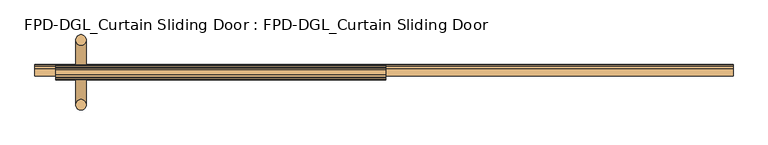
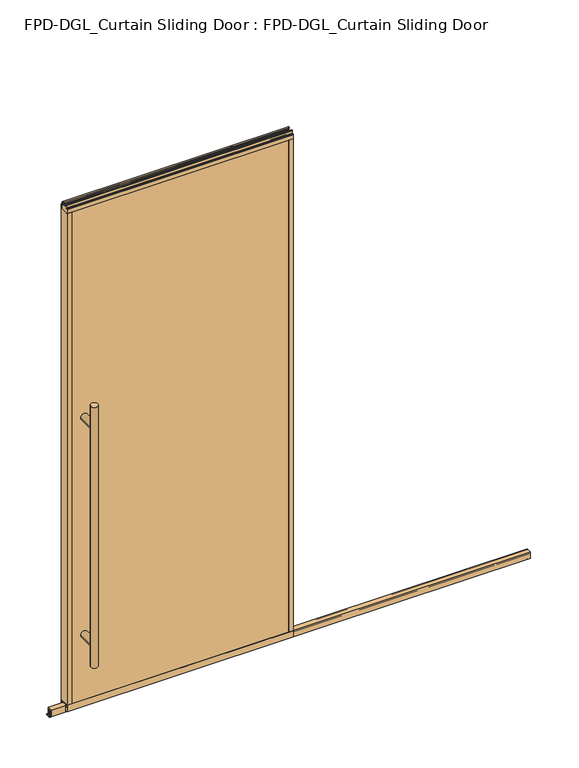
"""IFC4 building model written with IfcOpenShell, lengths in millimetres: door geometry, FPD-DGL_Curtain Sliding Door : FPD-DGL_Curtain Sliding Door."""

from ifc_helpers import new_model, si_unit, point, frame, frame_2d, origin, place, context, project, spatial, polyline, circle_curve, ellipse_curve, trimmed, segment, composite_curve, outline, extrude, source, transform, mapped, element, save
from ifc_brep_helpers import plane_surface, cylinder_surface, advanced_brep


def fpd_dgl_curtain_sliding_door_fpd_dgl_curtain_sliding_door_6877c5e0(model_context):
    return source(origin(), model_context, "Body", "SolidModel", [
        advanced_brep(
        [(-407.9879673, 35.128049, 1473.2), (-439.7379673, 35.128049, 1473.2), (-407.9879673, -162.0969566, 1473.2), (-439.7379673, -162.0969566, 1473.2), (-407.9879673, 35.128049, 254.0), (-439.7379673, 35.128049, 254.0), (-407.9879673, -162.0969566, 254.0), (-439.7379673, -162.0969566, 254.0), (-407.9879673, 35.128049, 355.6), (-439.7379673, 35.128049, 355.6), (-407.9879673, 35.128049, 1371.6), (-439.7379673, 35.128049, 1371.6), (-439.7379673, -162.0969566, 1371.6), (-439.7379673, -162.0969566, 355.6), (-407.9879673, -162.0969566, 355.6), (-407.9879673, -162.0969566, 1371.6)],
        [
            (0, 1, circle_curve(frame((-423.8629673, 35.128049, 1473.2), z_axis=(0.0, 0.0, 1.0), x_axis=(-1.0, 0.0, 0.0)), 15.875)),
            (1, 0, circle_curve(frame((-423.8629673, 35.128049, 1473.2), z_axis=(0.0, 0.0, 1.0), x_axis=(-1.0, 0.0, 0.0)), 15.875)),
            (2, 3, circle_curve(frame((-423.8629673, -162.0969566, 1473.2), z_axis=(0.0, 0.0, 1.0), x_axis=(-1.0, 0.0, 0.0)), 15.875)),
            (3, 2, circle_curve(frame((-423.8629673, -162.0969566, 1473.2), z_axis=(0.0, 0.0, 1.0), x_axis=(-1.0, 0.0, 0.0)), 15.875)),
            (4, 5, circle_curve(frame((-423.8629673, 35.128049, 254.0), z_axis=(0.0, 0.0, -1.0), x_axis=(-1.0, 0.0, 0.0)), 15.875)),
            (5, 4, circle_curve(frame((-423.8629673, 35.128049, 254.0), z_axis=(0.0, 0.0, -1.0), x_axis=(-1.0, 0.0, 0.0)), 15.875)),
            (6, 7, circle_curve(frame((-423.8629673, -162.0969566, 254.0), z_axis=(0.0, 0.0, -1.0), x_axis=(-1.0, 0.0, 0.0)), 15.875)),
            (7, 6, circle_curve(frame((-423.8629673, -162.0969566, 254.0), z_axis=(0.0, 0.0, -1.0), x_axis=(-1.0, 0.0, 0.0)), 15.875)),
            (4, 8),
            (8, 9, ellipse_curve(frame((-423.8629673, 35.128049, 355.6), z_axis=(0.0, 0.7071067811865525, -0.7071067811865427), x_axis=(0.0, 0.7071067811865427, 0.7071067811865523)), 22.4506403, 15.875)),
            (9, 5),
            (10, 11, ellipse_curve(frame((-423.8629673, 35.128049, 1371.6), z_axis=(0.0, 0.7071067811865427, -0.7071067811865525), x_axis=(0.0, 0.7071067811865525, 0.7071067811865425)), 22.4506403, 15.875)),
            (11, 9),
            (9, 8, ellipse_curve(frame((-423.8629673, 35.128049, 355.6), z_axis=(0.0, 0.7071067811865427, 0.7071067811865525), x_axis=(0.0, -0.7071067811865525, 0.7071067811865425)), 22.4506403, 15.875)),
            (8, 10),
            (1, 11),
            (11, 10, ellipse_curve(frame((-423.8629673, 35.128049, 1371.6), z_axis=(0.0, 0.7071067811865525, 0.7071067811865427), x_axis=(0.0, -0.7071067811865427, 0.7071067811865523)), 22.4506403, 15.875)),
            (10, 0),
            (3, 12),
            (12, 13),
            (13, 7),
            (6, 14),
            (14, 15),
            (15, 2),
            (15, 12, ellipse_curve(frame((-423.8629673, -162.0969566, 1371.6), z_axis=(0.0, -0.7071067811865427, 0.7071067811865525), x_axis=(0.0, 0.7071067811865525, 0.7071067811865425)), 22.4506403, 15.875)),
            (13, 14, ellipse_curve(frame((-423.8629673, -162.0969566, 355.6), z_axis=(0.0, -0.7071067811865427, -0.7071067811865525), x_axis=(0.0, -0.7071067811865525, 0.7071067811865425)), 22.4506403, 15.875)),
            (14, 13, ellipse_curve(frame((-423.8629673, -162.0969566, 355.6), z_axis=(0.0, -0.7071067811865525, 0.7071067811865427), x_axis=(0.0, 0.7071067811865427, 0.7071067811865523)), 22.4506403, 15.875)),
            (12, 15, ellipse_curve(frame((-423.8629673, -162.0969566, 1371.6), z_axis=(0.0, -0.7071067811865525, -0.7071067811865427), x_axis=(0.0, -0.7071067811865427, 0.7071067811865523)), 22.4506403, 15.875)),
            (10, 15),
            (12, 11),
            (8, 14),
            (13, 9),
        ],
        [
            plane_surface(frame((-324.7555665, -63.5, 1473.2), z_axis=(0.0, 0.0, 1.0), x_axis=(0.0, 1.0, 0.0))),
            plane_surface(frame((-324.7555665, -63.5, 254.0), z_axis=(0.0, 0.0, -1.0), x_axis=(0.0, 1.0, 0.0))),
            cylinder_surface(frame((-423.8629673, 35.128049, 1473.2), z_axis=(0.0, 0.0, 1.0), x_axis=(-1.0, 0.0, 0.0)), 15.875),
            cylinder_surface(frame((-423.8629673, -162.0969566, 1473.2), z_axis=(0.0, 0.0, 1.0), x_axis=(-1.0, 0.0, 0.0)), 15.875),
            cylinder_surface(frame((-423.8629673, -162.0969566, 1371.6), z_axis=(0.0, 1.0, 0.0), x_axis=(1.0, 0.0, 0.0)), 15.875),
            cylinder_surface(frame((-423.8629673, -63.5, 355.6), z_axis=(0.0, 1.0, 0.0), x_axis=(1.0, 0.0, 0.0)), 15.875),
        ],
        [
            (0, [[1, 2]]),
            (0, [[3, 4]]),
            (1, [[5, 6]]),
            (1, [[7, 8]]),
            (2, [[9, 10, 11, -5]]),
            (2, [[12, 13, 14, 15]]),
            (2, [[16, 17, 18, -2]]),
            (2, [[-18, -15, -9, -6, -11, -13, -16, -1]]),
            (3, [[19, 20, 21, -7, 22, 23, 24, -4]]),
            (3, [[-24, 25, -19, -3]]),
            (3, [[-21, 26, -22, -8]]),
            (3, [[27, -20, 28, -23]]),
            (4, [[-12, 29, -28, 30]]),
            (4, [[-25, -29, -17, -30]]),
            (5, [[-10, 31, -26, 32]]),
            (5, [[-27, -31, -14, -32]]),
        ],
    ),
        extrude(outline(composite_curve([segment(polyline([(-59.6869794, 1.1714386), (-59.6869794, 4.0416386)]), True, "CONTINUOUS"), segment(trimmed(circle_curve(frame_2d((-58.5185794, 4.0416386)), 1.1684), [point((-59.6869794, 4.0416386))], [point((-58.9336188, 5.1338386))], False, "CARTESIAN"), True, "CONTINUOUS"), segment(polyline([(-58.9336188, 5.1338386), (-56.2262294, 5.1338386), (-56.2262294, 4.3138948), (-58.9122794, 4.3138948), (-58.9122794, 0.7650387), (-40.4337797, 0.7650387), (-40.4337797, 4.4232339), (-43.4288569, 4.4232339), (-43.4288569, 5.2100386), (-40.8401797, 5.2100386)]), True, "CONTINUOUS"), segment(trimmed(circle_curve(frame_2d((-40.8401797, 4.0416386)), 1.1684), [point((-40.8401797, 5.2100386))], [point((-39.6717797, 4.0416386))], False, "CARTESIAN"), True, "CONTINUOUS"), segment(polyline([(-39.6717797, 4.0416386), (-39.6717797, 1.1714386)]), True, "CONTINUOUS"), segment(trimmed(circle_curve(frame_2d((-40.8401797, 1.1714386)), 1.1684), [point((-39.6717797, 1.1714386))], [point((-40.8401797, 0.0030387))], False, "CARTESIAN"), True, "CONTINUOUS"), segment(polyline([(-40.8401797, 0.0030387), (-58.5185794, 0.0030387)]), True, "CONTINUOUS"), segment(trimmed(circle_curve(frame_2d((-58.5185794, 1.1714386)), 1.1684), [point((-58.5185794, 0.0030387))], [point((-59.6869794, 1.1714386))], False, "CARTESIAN"), True, "CONTINUOUS")], self_intersect=False)), frame((-563.5629673, 0.0, 0.0), z_axis=(1.0, 0.0, 0.0), x_axis=(0.0, 1.0, 0.0)), (0.0, 0.0, 1.0), 2117.7259345),
        extrude(outline(composite_curve([segment(polyline([(-74.4646139, 41.6030387), (-52.5646141, 41.6030387), (-52.5646141, 11.6839647), (-54.064702, 11.6839647), (-54.064702, 39.1709995)]), True, "CONTINUOUS"), segment(trimmed(circle_curve(frame_2d((-54.9969627, 39.1709995)), 0.9322606), [point((-54.064702, 39.1709995))], [point((-54.9969627, 40.1032601))], True, "CARTESIAN"), True, "CONTINUOUS"), segment(polyline([(-54.9969627, 40.1032601), (-60.0857402, 40.1032601)]), True, "CONTINUOUS"), segment(trimmed(circle_curve(frame_2d((-60.0857402, 39.1243868)), 0.9788733), [point((-60.0857402, 40.1032601))], [point((-61.0646135, 39.1243868))], True, "CARTESIAN"), True, "CONTINUOUS"), segment(polyline([(-61.0646135, 39.1243868), (-61.0646135, 11.6839647), (-62.6646138, 11.6839647), (-62.6646138, 33.5017657), (-64.0544462, 33.5017657), (-64.0544462, 34.3040626), (-62.6646138, 34.3040626), (-62.6646138, 35.6040627), (-73.4646139, 35.6040627), (-73.4646139, 34.3040626), (-72.0747815, 34.3040626), (-72.0747815, 33.5017657), (-73.4646139, 33.5017657), (-73.4646139, 11.6839647), (-74.4646139, 11.6839647), (-74.4646139, 41.6030387)]), True, "CONTINUOUS")], self_intersect=False)), frame((-563.5629673, 0.0, 0.0), z_axis=(1.0, 0.0, 0.0), x_axis=(0.0, 1.0, 0.0)), (0.0, 0.0, 1.0), 2117.7259345),
        extrude(outline(composite_curve([segment(polyline([(-49.1758097, 48.6471016), (-49.1758097, 47.6299627), (-50.5428229, 47.6299627), (-50.5428229, 41.3613764)]), True, "CONTINUOUS"), segment(trimmed(circle_curve(frame_2d((-48.227348, 41.3613764)), 2.3154748), [point((-50.5428229, 41.3613764))], [point((-48.227348, 39.0459016))], True, "CARTESIAN"), True, "CONTINUOUS"), segment(polyline([(-48.227348, 39.0459016), (-43.2396246, 39.0522555)]), True, "CONTINUOUS"), segment(trimmed(circle_curve(frame_2d((-43.337823, 39.8079016)), 0.762), [point((-43.2396246, 39.0522555))], [point((-42.575823, 39.8079016))], True, "CARTESIAN"), True, "CONTINUOUS"), segment(polyline([(-42.575823, 39.8079016), (-42.575823, 48.6471016), (-41.2758255, 48.6471016), (-41.2758255, 19.0059017), (-50.3972378, 19.0059017), (-50.3972378, 15.875), (-52.3015279, 15.875), (-52.3015279, 47.0470737), (-74.6984721, 47.0470737), (-74.6984721, 15.875), (-76.6027622, 15.875), (-76.6027622, 19.0059017), (-85.7241745, 19.0059017), (-85.7241745, 48.6471016), (-84.424177, 48.6471016), (-84.424177, 39.8079016)]), True, "CONTINUOUS"), segment(trimmed(circle_curve(frame_2d((-83.662177, 39.8079016)), 0.762), [point((-84.424177, 39.8079016))], [point((-83.7603754, 39.0522555))], True, "CARTESIAN"), True, "CONTINUOUS"), segment(polyline([(-83.7603754, 39.0522555), (-78.772652, 39.0459016)]), True, "CONTINUOUS"), segment(trimmed(circle_curve(frame_2d((-78.772652, 41.3613764)), 2.3154748), [point((-78.772652, 39.0459016))], [point((-76.4571771, 41.3613764))], True, "CARTESIAN"), True, "CONTINUOUS"), segment(polyline([(-76.4571771, 41.3613764), (-76.4571771, 47.6299627), (-77.8241903, 47.6299627), (-77.8241903, 48.6471016), (-49.1758097, 48.6471016)]), True, "CONTINUOUS")], self_intersect=False)), frame((-500.0629673, 0.0, 0.0), z_axis=(1.0, 0.0, 0.0), x_axis=(0.0, 1.0, 0.0)), (0.0, 0.0, 1.0), 1000.1259345),
        extrude(outline(composite_curve([segment(polyline([(-55.1000175, 2383.0590768), (-50.0953412, 2383.0590768)]), True, "CONTINUOUS"), segment(trimmed(circle_curve(frame_2d((-50.0953412, 2382.4637643)), 0.5953125), [point((-50.0953412, 2383.0590768))], [point((-49.5000287, 2382.4637643))], False, "CARTESIAN"), True, "CONTINUOUS"), segment(polyline([(-49.5000287, 2382.4637643), (-49.5000287, 2371.0957628)]), True, "CONTINUOUS"), segment(trimmed(circle_curve(frame_2d((-47.5809248, 2371.0957628)), 1.919104), [point((-49.5000287, 2371.0957628))], [point((-47.5809248, 2369.1766588))], True, "CARTESIAN"), True, "CONTINUOUS"), segment(polyline([(-47.5809248, 2369.1766588), (-42.0750432, 2369.1766588)]), True, "CONTINUOUS"), segment(trimmed(circle_curve(frame_2d((-42.0750432, 2368.3766603)), 0.7999985), [point((-42.0750432, 2369.1766588))], [point((-41.2750446, 2368.3766603))], False, "CARTESIAN"), True, "CONTINUOUS"), segment(polyline([(-41.2750446, 2368.3766603), (-41.2750446, 2349.4916588), (-42.5750423, 2349.4916588), (-42.5750423, 2359.5916388)]), True, "CONTINUOUS"), segment(trimmed(circle_curve(frame_2d((-43.0750413, 2359.5916388)), 0.499999), [point((-42.5750423, 2359.5916388))], [point((-43.0750413, 2360.0916377))], True, "CARTESIAN"), True, "CONTINUOUS"), segment(polyline([(-43.0750413, 2360.0916377), (-49.1750289, 2360.0916377), (-49.1750289, 2349.4916588), (-77.8249714, 2349.4916588), (-77.8249714, 2360.0916377), (-83.9249587, 2360.0916377)]), True, "CONTINUOUS"), segment(trimmed(circle_curve(frame_2d((-83.9249587, 2359.5916388)), 0.499999), [point((-83.9249587, 2360.0916377))], [point((-84.4249577, 2359.5916388))], True, "CARTESIAN"), True, "CONTINUOUS"), segment(polyline([(-84.4249577, 2359.5916388), (-84.4249577, 2349.4916588), (-85.7249551, 2349.4916588), (-85.7249551, 2368.3766603)]), True, "CONTINUOUS"), segment(trimmed(circle_curve(frame_2d((-84.9249567, 2368.3766603)), 0.7999984), [point((-85.7249551, 2368.3766603))], [point((-84.9249567, 2369.1766587))], False, "CARTESIAN"), True, "CONTINUOUS"), segment(polyline([(-84.9249567, 2369.1766587), (-79.4190752, 2369.1766587)]), True, "CONTINUOUS"), segment(trimmed(circle_curve(frame_2d((-79.4190752, 2371.0957626)), 1.919104), [point((-79.4190752, 2369.1766587))], [point((-77.4999713, 2371.0957626))], True, "CARTESIAN"), True, "CONTINUOUS"), segment(polyline([(-77.4999713, 2371.0957626), (-77.4999713, 2382.4637643)]), True, "CONTINUOUS"), segment(trimmed(circle_curve(frame_2d((-76.9046588, 2382.4637643)), 0.5953125), [point((-77.4999713, 2382.4637643))], [point((-76.9046588, 2383.0590768))], False, "CARTESIAN"), True, "CONTINUOUS"), segment(polyline([(-76.9046588, 2383.0590768), (-71.8999825, 2383.0590768), (-71.8999825, 2381.0590808), (-75.4999752, 2381.0590808), (-75.4999752, 2372.5590978)]), True, "CONTINUOUS"), segment(trimmed(circle_curve(frame_2d((-74.9999762, 2372.5590978)), 0.499999), [point((-75.4999752, 2372.5590978))], [point((-74.9999762, 2372.0590988))], True, "CARTESIAN"), True, "CONTINUOUS"), segment(polyline([(-74.9999762, 2372.0590988), (-52.0000238, 2372.0590988)]), True, "CONTINUOUS"), segment(trimmed(circle_curve(frame_2d((-52.0000238, 2372.5590978)), 0.499999), [point((-52.0000238, 2372.0590988))], [point((-51.5000248, 2372.5590978))], True, "CARTESIAN"), True, "CONTINUOUS"), segment(polyline([(-51.5000248, 2372.5590978), (-51.5000248, 2381.0590808), (-55.1000175, 2381.0590808), (-55.1000175, 2383.0590768)]), True, "CONTINUOUS")], self_intersect=False)), frame((-500.0629673, 0.0, 0.0), z_axis=(1.0, 0.0, 0.0), x_axis=(0.0, 1.0, 0.0)), (0.0, 0.0, 1.0), 1000.1259345),
        extrude(outline(polyline([(490.1261183, -84.4265993), (-490.1261183, -84.4265993), (-490.1261183, -77.825), (490.1261183, -77.825), (490.1261183, -84.4265993)])), frame((0.0, 0.0, 39.1580021), z_axis=(0.0, 0.0, 1.0), x_axis=(1.0, 0.0, 0.0)), (0.0, 0.0, 1.0), 2320.6670934),
        extrude(outline(polyline([(-490.1261183, -49.175), (-490.1261183, -42.5734007), (490.1261183, -42.5734007), (490.1261183, -49.175), (-490.1261183, -49.175)])), frame((0.0, 0.0, 39.1580021), z_axis=(0.0, 0.0, 1.0), x_axis=(1.0, 0.0, 0.0)), (0.0, 0.0, 1.0), 2320.6670934),
        extrude(outline(composite_curve([segment(polyline([(-500.0629673, -85.725), (-500.0629673, -41.275), (-479.5261183, -41.275), (-479.5261183, -42.5734), (-489.5969246, -42.5734)]), True, "CONTINUOUS"), segment(trimmed(circle_curve(frame_2d((-489.5969246, -43.1025937)), 0.5291937), [point((-489.5969246, -42.5734))], [point((-490.1261183, -43.1025937))], True, "CARTESIAN"), True, "CONTINUOUS"), segment(polyline([(-490.1261183, -43.1025937), (-490.1261183, -45.0596), (-491.3261182, -45.0596), (-491.3261182, -42.5798), (-498.2595672, -42.5798), (-498.2595672, -54.254802), (-491.3261182, -54.254802), (-491.3261182, -49.175), (-479.5261183, -49.175), (-479.5261183, -77.825), (-491.3261182, -77.825), (-491.3261182, -72.745198), (-498.2595672, -72.745198), (-498.2595672, -84.4202), (-491.3261182, -84.4202), (-491.3261182, -81.9404), (-490.1261183, -81.9404), (-490.1261183, -83.9185993)]), True, "CONTINUOUS"), segment(trimmed(circle_curve(frame_2d((-489.6181183, -83.9185993)), 0.508), [point((-490.1261183, -83.9185993))], [point((-489.6181183, -84.4265993))], True, "CARTESIAN"), True, "CONTINUOUS"), segment(polyline([(-489.6181183, -84.4265993), (-479.5261183, -84.4265993), (-479.5261183, -85.725), (-500.0629673, -85.725)]), True, "CONTINUOUS")], self_intersect=False)), frame((0.0, 0.0, 48.6471016), z_axis=(0.0, 0.0, 1.0), x_axis=(1.0, 0.0, 0.0)), (0.0, 0.0, 1.0), 2300.8445572),
        extrude(outline(composite_curve([segment(polyline([(500.0629673, -85.725), (479.5261183, -85.725), (479.5261183, -84.4265993), (489.6181183, -84.4265993)]), True, "CONTINUOUS"), segment(trimmed(circle_curve(frame_2d((489.6181183, -83.9185993)), 0.508), [point((489.6181183, -84.4265993))], [point((490.1261183, -83.9185993))], True, "CARTESIAN"), True, "CONTINUOUS"), segment(polyline([(490.1261183, -83.9185993), (490.1261183, -81.9404), (491.3261182, -81.9404), (491.3261182, -84.4202), (498.2595672, -84.4202), (498.2595672, -72.745198), (491.3261182, -72.745198), (491.3261182, -77.825), (479.5261184, -77.825), (479.5261184, -49.175), (491.3261182, -49.175), (491.3261182, -54.254802), (498.2595672, -54.254802), (498.2595672, -42.5798), (491.3261182, -42.5798), (491.3261182, -45.0596), (490.1261183, -45.0596), (490.1261183, -43.1025937)]), True, "CONTINUOUS"), segment(trimmed(circle_curve(frame_2d((489.5969246, -43.1025937)), 0.5291937), [point((490.1261183, -43.1025937))], [point((489.5969246, -42.5734))], True, "CARTESIAN"), True, "CONTINUOUS"), segment(polyline([(489.5969246, -42.5734), (479.5261183, -42.5734), (479.5261183, -41.275), (500.0629673, -41.275), (500.0629673, -85.725)]), True, "CONTINUOUS")], self_intersect=False)), frame((0.0, 0.0, 48.6471016), z_axis=(0.0, 0.0, 1.0), x_axis=(1.0, 0.0, 0.0)), (0.0, 0.0, 1.0), 2300.8445572),
    ])


if __name__ == "__main__":
    model = new_model("IFC4")
    model_context = context("Model", 3, world=origin())
    ifc_project = project(units=[si_unit("LENGTHUNIT", "METRE", prefix="MILLI")], contexts=[model_context])
    site = spatial("IfcSite", under=ifc_project)
    building = spatial("IfcBuilding", under=site)
    placement = place(None, origin())
    fpd_dgl_curtain_sliding_door_fpd_dgl_curtain_sliding_door_shape = fpd_dgl_curtain_sliding_door_fpd_dgl_curtain_sliding_door_6877c5e0(model_context)
    element("IfcDoor", 1, ObjectType="FPD-DGL_Curtain Sliding Door : FPD-DGL_Curtain Sliding Door", at=placement, inside=building, context=model_context, shape_type="MappedRepresentation", body=[
        mapped(fpd_dgl_curtain_sliding_door_fpd_dgl_curtain_sliding_door_shape, transform((0.0, 0.0, 0.0), x_axis=(1.0, 0.0, 0.0), y_axis=(0.0, 1.0, 0.0), z_axis=(0.0, 0.0, 1.0))),
    ])
    save(model, "model.ifc")
